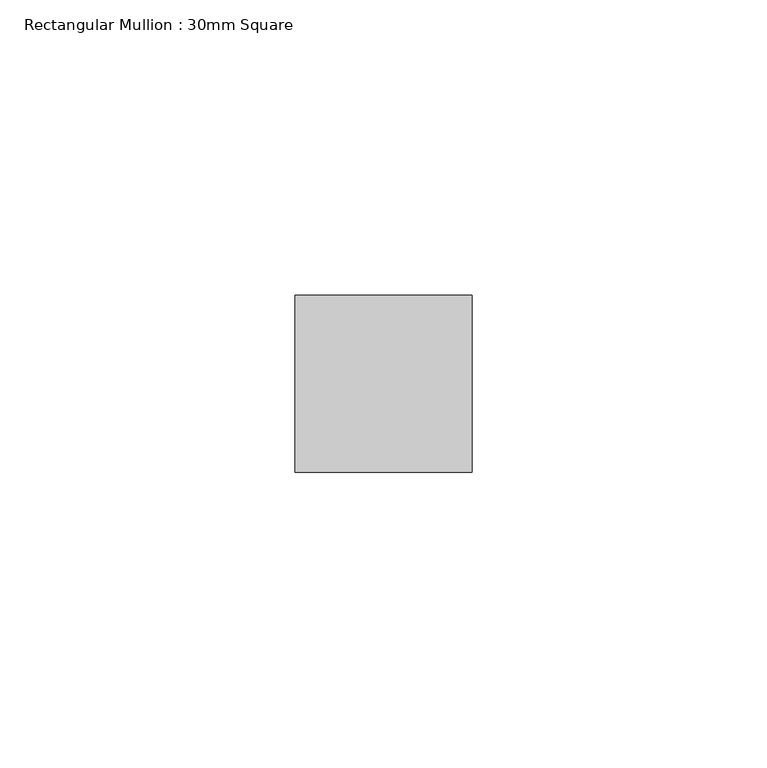
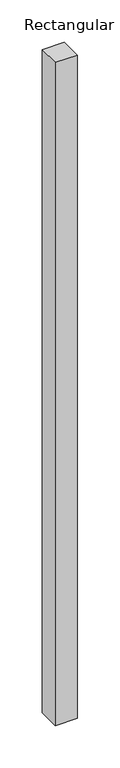
"""IFC4 building model written with IfcOpenShell, lengths in millimetres: member geometry, Rectangular Mullion : 30mm Square."""

from ifc_helpers import new_model, si_unit, frame, origin, place, context, project, spatial, polyline, outline, extrude, source, transform, mapped, element, save


def rectangular_mullion_30mm_square_2788accc(model_context):
    return source(origin(), model_context, "Body", "SweptSolid", [
        extrude(outline(polyline([(0.0, 15.0), (0.0, -15.0), (-30.0, -15.0), (-30.0, 15.0), (0.0, 15.0)])), frame((0.0, 0.0, -955.1405838), z_axis=(0.0, 0.0, 1.0), x_axis=(1.0, 0.0, 0.0)), (0.0, 0.0, 1.0), 955.1405838),
    ])


if __name__ == "__main__":
    model = new_model("IFC4")
    model_context = context("Model", 3, world=origin())
    ifc_project = project(units=[si_unit("LENGTHUNIT", "METRE", prefix="MILLI")], contexts=[model_context])
    site = spatial("IfcSite", under=ifc_project)
    building = spatial("IfcBuilding", under=site)
    placement = place(None, origin())
    rectangular_mullion_30mm_square_shape = rectangular_mullion_30mm_square_2788accc(model_context)
    element("IfcMember", 1, ObjectType="Rectangular Mullion : 30mm Square", at=placement, inside=building, context=model_context, shape_type="MappedRepresentation", body=[
        mapped(rectangular_mullion_30mm_square_shape, transform((0.0, 0.0, 0.0), x_axis=(1.0, 0.0, 0.0), y_axis=(0.0, 1.0, 0.0), z_axis=(0.0, 0.0, 1.0))),
    ])
    save(model, "model.ifc")
